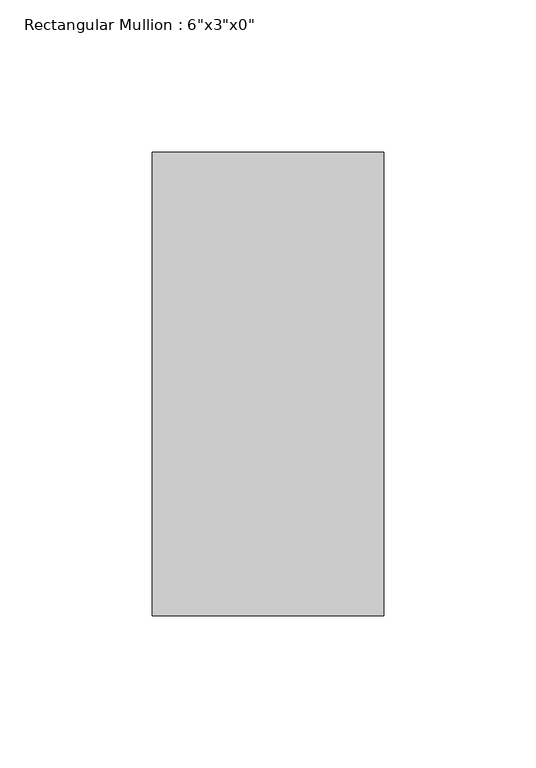
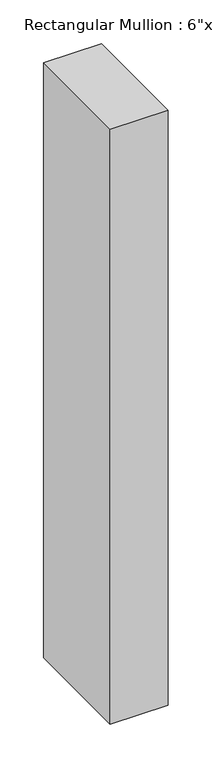
"""IFC4 building model written with IfcOpenShell, lengths in millimetres: member geometry."""

from ifc_helpers import new_model, si_unit, frame, origin, place, context, project, spatial, polyline, outline, extrude, source, transform, mapped, element, save


def member_9ed7b5de(model_context):
    return source(origin(), model_context, "Body", "SweptSolid", [
        extrude(outline(polyline([(38.1, 76.2), (38.1, -76.2), (-38.1, -76.2), (-38.1, 76.2), (38.1, 76.2)])), frame((0.0, 0.0, -829.7333333), z_axis=(0.0, 0.0, 1.0), x_axis=(1.0, 0.0, 0.0)), (0.0, 0.0, 1.0), 829.7333333),
    ])


if __name__ == "__main__":
    model = new_model("IFC4")
    model_context = context("Model", 3, world=origin())
    ifc_project = project(units=[si_unit("LENGTHUNIT", "METRE", prefix="MILLI")], contexts=[model_context])
    site = spatial("IfcSite", under=ifc_project)
    building = spatial("IfcBuilding", under=site)
    placement = place(None, origin())
    member_shape = member_9ed7b5de(model_context)
    element("IfcMember", 1, ObjectType="Rectangular Mullion : 6\"x3\"x0\"", at=placement, inside=building, context=model_context, shape_type="MappedRepresentation", body=[
        mapped(member_shape, transform((0.0, 0.0, 0.0), x_axis=(1.0, 0.0, 0.0), y_axis=(0.0, 1.0, 0.0), z_axis=(0.0, 0.0, 1.0))),
    ])
    save(model, "model.ifc")
